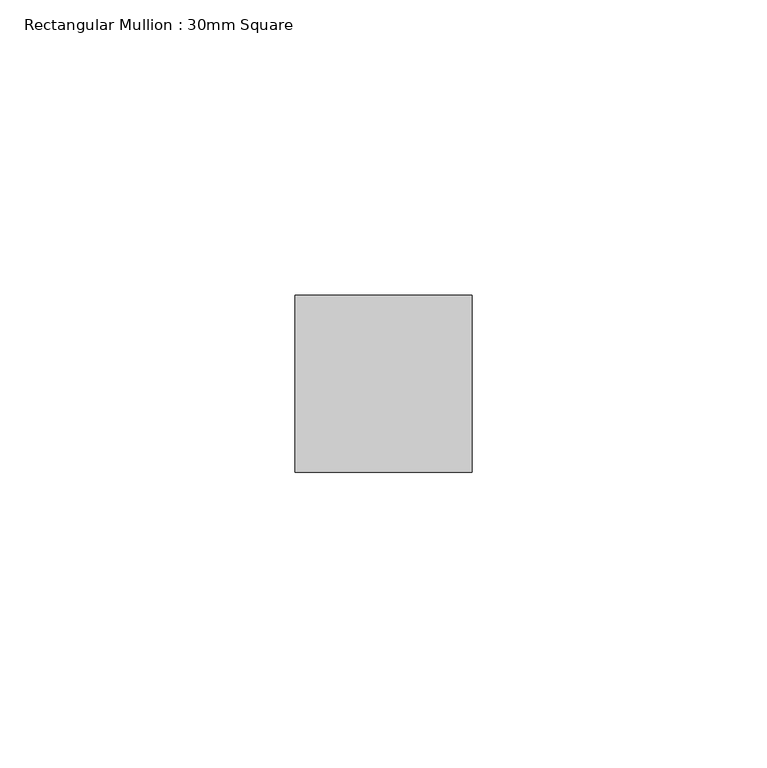
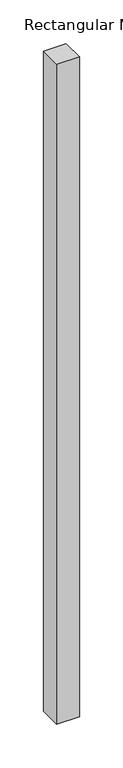
"""IFC4 building model written with IfcOpenShell, lengths in millimetres: member geometry, Rectangular Mullion : 30mm Square."""

from ifc_helpers import new_model, si_unit, frame, origin, place, context, project, spatial, polyline, outline, extrude, source, transform, mapped, element, save


def rectangular_mullion_30mm_square_f57b99b3(model_context):
    return source(origin(), model_context, "Body", "SweptSolid", [
        extrude(outline(polyline([(0.0, 15.0), (0.0, -15.0), (-30.0, -15.0), (-30.0, 15.0), (0.0, 15.0)])), frame((0.0, 0.0, -921.6666667), z_axis=(0.0, 0.0, 1.0), x_axis=(1.0, 0.0, 0.0)), (0.0, 0.0, 1.0), 921.6666667),
    ])


if __name__ == "__main__":
    model = new_model("IFC4")
    model_context = context("Model", 3, world=origin())
    ifc_project = project(units=[si_unit("LENGTHUNIT", "METRE", prefix="MILLI")], contexts=[model_context])
    site = spatial("IfcSite", under=ifc_project)
    building = spatial("IfcBuilding", under=site)
    placement = place(None, origin())
    rectangular_mullion_30mm_square_shape = rectangular_mullion_30mm_square_f57b99b3(model_context)
    element("IfcMember", 1, ObjectType="Rectangular Mullion : 30mm Square", at=placement, inside=building, context=model_context, shape_type="MappedRepresentation", body=[
        mapped(rectangular_mullion_30mm_square_shape, transform((0.0, 0.0, 0.0), x_axis=(1.0, 0.0, 0.0), y_axis=(0.0, 1.0, 0.0), z_axis=(0.0, 0.0, 1.0))),
    ])
    save(model, "model.ifc")
